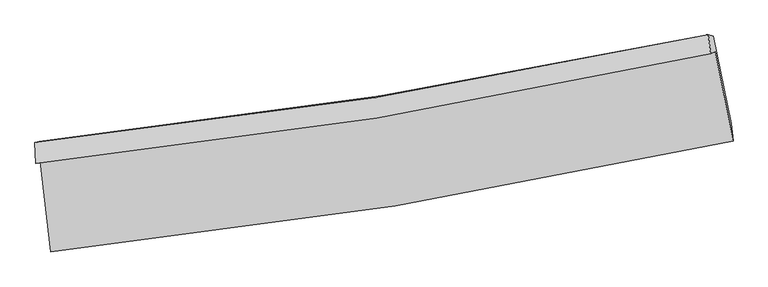
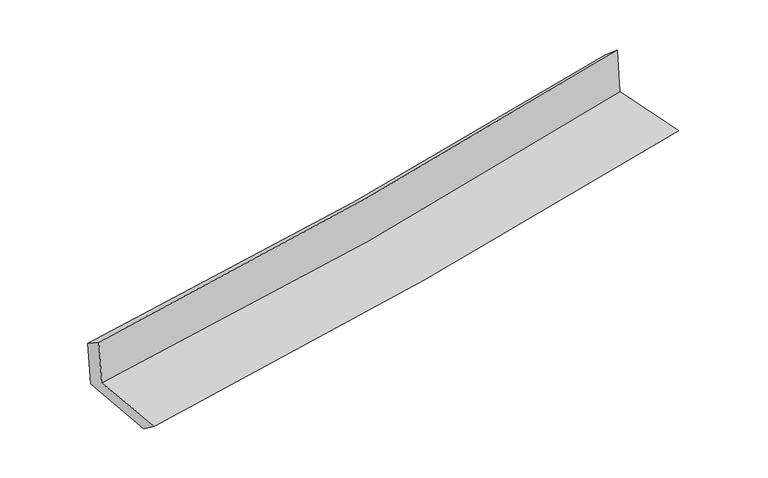
"""IFC4 building model written with IfcOpenShell, lengths in millimetres: proxy geometry."""

from ifc_helpers import new_model, si_unit, frame, origin, place, context, project, spatial, source, transform, mapped, element, save
from ifc_brep_helpers import plane_surface, spline_curve, spline_surface, advanced_brep


def generic_models_fb4fe4cc(model_context):
    return source(origin(), model_context, "Body", "AdvancedBrep", [
        advanced_brep(
        [(-2516.7695294, -1878.4668593, 1661.9986057), (-2442.947625, -2543.7198202, 1643.0857369), (2582.0062392, -1726.0904949, 2104.0953694), (2450.5716913, -1069.7803847, 2109.1312102), (-2549.9521755, -1893.4235211, 2058.5728914), (2416.9778347, -1084.9223944, 2510.6199774), (-2557.7348854, -1739.7475845, 1957.3130773), (2399.8028066, -944.4788179, 2391.6247268), (-2524.6773182, -1730.2313541, 1568.8881158), (2435.2567935, -953.5142256, 2022.6447403), (-2449.5514922, -2392.8737506, 1531.8916), (2566.7295774, -1597.7575203, 1990.7850404)],
        [
            (0, 1),
            (1, 2, spline_curve(3, [(-2442.947625, -2543.7198202, 1643.0857369), (-1593.296443789, -2455.993920241, 1731.795781825), (-747.194095631, -2343.429466807, 1814.767653478), (927.705055717, -2070.288145941, 1968.299332834), (1756.587328895, -1910.309490889, 2038.997338554), (2582.0062392, -1726.0904949, 2104.0953694)], [4, 2, 4], [0.0, 8.39200017214704, 16.682327847057625])),
            (2, 3),
            (3, 0, spline_curve(3, [(2450.5716913, -1069.7803847, 2109.1312102), (1635.681653277, -1251.572216757, 2033.669900841), (816.838611475, -1409.593712096, 1958.901041739), (-838.844241497, -1679.742483591, 1809.839751911), (-1675.781606899, -1791.283146611, 1735.56440935), (-2516.7695294, -1878.4668593, 1661.9986057)], [4, 2, 4], [0.0, 8.290327674910586, 16.682327847057625])),
            (4, 0),
            (3, 5),
            (5, 4, spline_curve(3, [(2416.9778347, -1084.9223944, 2510.6199774), (1601.464801602, -1266.995033644, 2442.604241966), (782.342214876, -1425.142530259, 2371.176295613), (-873.212043765, -1695.233339974, 2220.578141429), (-1709.732794022, -1806.586218863, 2141.323725828), (-2549.9521755, -1893.4235211, 2058.5728914)], [4, 2, 4], [0.0, 8.241930019169647, 16.584938987200758])),
            (6, 4),
            (5, 7),
            (7, 6, spline_curve(3, [(2399.8028066, -944.4788179, 2391.6247268), (1585.478420683, -1120.222676877, 2321.527739337), (767.726961904, -1274.097201012, 2250.51281734), (-884.701027561, -1539.726489532, 2105.764920816), (-1719.462132739, -1650.941554335, 2032.009292925), (-2557.7348854, -1739.7475845, 1957.3130773)], [4, 2, 4], [0.0, 8.231102207887176, 16.56315057246452])),
            (8, 6),
            (7, 9),
            (9, 8, spline_curve(3, [(2435.2567935, -953.5142256, 2022.6447403), (1619.328282206, -1120.14165314, 1949.380027242), (800.572597536, -1267.902997623, 1875.170866431), (-852.669003046, -1527.274291804, 1723.941965447), (-1687.224688807, -1638.418656682, 1646.898918396), (-2524.6773182, -1730.2313541, 1568.8881158)], [4, 2, 4], [0.0, 8.22072211517575, 16.542263085686535])),
            (10, 8),
            (9, 11),
            (11, 10, spline_curve(3, [(2566.7295774, -1597.7575203, 1990.7850404), (1742.160211418, -1771.024428361, 1916.682201147), (914.419249259, -1923.640372349, 1841.628557197), (-757.596170919, -2189.188748061, 1688.687541386), (-1601.948898601, -2301.611547916, 1610.776705274), (-2449.5514922, -2392.8737506, 1531.8916)], [4, 2, 4], [0.0, 8.26940608529211, 16.640228085650932])),
            (1, 10),
            (11, 2),
        ],
        [
            spline_surface(3, 3, [[(-2516.7695294, -1878.4668593, 1661.9986057), (-1675.781606845, -1791.283146681, 1735.564409359), (-838.844241583, -1679.742483726, 1809.8397518), (816.83861156, -1409.593711964, 1958.901041848), (1635.681653216, -1251.572216757, 2033.669900918), (2450.5716913, -1069.7803847, 2109.1312102)], [(-2492.162227921, -2100.21784628, 1655.694316103), (-1648.286552449, -2012.853404572, 1734.308200201), (-808.294192884, -1900.971478103, 1811.48238573), (853.794092937, -1629.825189953, 1962.033805472), (1675.983545122, -1471.151308187, 2035.445713448), (2494.383207272, -1288.550421464, 2107.452596583)], [(-2467.554926479, -2321.96883322, 1649.390026497), (-1620.791498088, -2234.423662423, 1733.051991033), (-777.744144244, -2122.200472459, 1813.125019661), (890.749574255, -1850.056667922, 1965.166569099), (1716.28543701, -1690.730399526, 2037.221526028), (2538.194723228, -1507.320458136, 2105.773983017)], [(-2442.947625, -2543.7198202, 1643.0857369), (-1593.296443691, -2455.993920313, 1731.795781874), (-747.194095545, -2343.429466837, 1814.767653591), (927.705055632, -2070.288145911, 1968.299332723), (1756.587328916, -1910.309490956, 2038.997338558), (2582.0062392, -1726.0904949, 2104.0953694)]], [4, 4], [4, 2, 4], [0.0, 2.197920518805384], [0.0, 8.39200017214704, 16.682327847057625]),
            spline_surface(3, 3, [[(-2549.9521755, -1893.4235211, 2058.5728914), (-1709.732794023, -1806.586218739, 2141.323725934), (-873.212043835, -1695.233339848, 2220.578141452), (782.342214946, -1425.142530383, 2371.17629559), (1601.464801494, -1266.995033699, 2442.60424207), (2416.9778347, -1084.9223944, 2510.6199774)], [(-2538.891293468, -1888.437967161, 1926.381462831), (-1698.415731631, -1801.485194714, 2006.070620407), (-861.756109756, -1690.06972115, 2083.665344888), (793.841013813, -1419.95959092, 2233.751210996), (1612.870418726, -1261.85409469, 2306.292795011), (2428.175786891, -1079.875057805, 2376.790388325)], [(-2527.830411432, -1883.452413239, 1794.190034269), (-1687.098669237, -1796.384170706, 1870.817514886), (-850.300175663, -1684.906102423, 1946.752548365), (805.339812693, -1414.776651427, 2096.326126443), (1624.276035984, -1256.713155766, 2169.981347977), (2439.373739109, -1074.827721295, 2242.960799275)], [(-2516.7695294, -1878.4668593, 1661.9986057), (-1675.781606845, -1791.283146681, 1735.564409359), (-838.844241583, -1679.742483726, 1809.8397518), (816.83861156, -1409.593711964, 1958.901041848), (1635.681653216, -1251.572216757, 2033.669900918), (2450.5716913, -1069.7803847, 2109.1312102)]], [4, 4], [4, 2, 4], [0.0, 1.3557299903876077], [0.0, 8.34300896803111, 16.584938987200758]),
            spline_surface(3, 3, [[(-2557.7348854, -1739.7475845, 1957.3130773), (-1719.462132609, -1650.941554445, 2032.009292817), (-884.701027511, -1539.726489645, 2105.764920736), (767.726961855, -1274.097200899, 2250.512817419), (1585.478420763, -1120.222676824, 2321.527739351), (2399.8028066, -944.4788179, 2391.6247268)], [(-2555.140648771, -1790.97289671, 1991.066348672), (-1716.219019751, -1702.82310922, 2068.447437194), (-880.871366301, -1591.562106368, 2144.035994331), (772.59871287, -1324.445644049, 2290.733976832), (1590.807214338, -1169.146795792, 2361.886573607), (2405.527815965, -991.29334341, 2431.289810349)], [(-2552.546412129, -1842.19820889, 2024.819620028), (-1712.975906881, -1754.704663964, 2104.885581556), (-877.041705045, -1643.397723125, 2182.307067857), (777.470463931, -1374.794087233, 2330.955136177), (1596.136007919, -1218.070914731, 2402.245407815), (2411.252825335, -1038.10786889, 2470.954893851)], [(-2549.9521755, -1893.4235211, 2058.5728914), (-1709.732794023, -1806.586218739, 2141.323725934), (-873.212043835, -1695.233339848, 2220.578141452), (782.342214946, -1425.142530383, 2371.17629559), (1601.464801494, -1266.995033699, 2442.60424207), (2416.9778347, -1084.9223944, 2510.6199774)]], [4, 4], [4, 2, 4], [0.0, 0.63554825546171], [0.0, 8.332048364577343, 16.56315057246452]),
            spline_surface(3, 3, [[(-2524.6773182, -1730.2313541, 1568.8881158), (-1687.224688795, -1638.418656545, 1646.898918359), (-852.669003008, -1527.274291697, 1723.941965571), (800.572597499, -1267.902997729, 1875.170866308), (1619.328282242, -1120.141653073, 1949.380027225), (2435.2567935, -953.5142256, 2022.6447403)], [(-2535.696507248, -1733.403430902, 1698.363102978), (-1697.970503382, -1642.592955847, 1775.26904319), (-863.346344513, -1531.425024341, 1851.216283951), (789.62405228, -1269.967732114, 2000.284850003), (1608.044995079, -1120.168660993, 2073.429264584), (2423.438797863, -950.502423037, 2145.638069117)], [(-2546.715696352, -1736.575507698, 1827.838090122), (-1708.716318023, -1646.767255144, 1903.639167986), (-874.023686006, -1535.575757002, 1978.490602356), (778.675507074, -1272.032466515, 2125.398833724), (1596.761707926, -1120.195668904, 2197.478501992), (2411.620802237, -947.490620463, 2268.631397983)], [(-2557.7348854, -1739.7475845, 1957.3130773), (-1719.462132609, -1650.941554445, 2032.009292817), (-884.701027511, -1539.726489645, 2105.764920736), (767.726961855, -1274.097200899, 2250.512817419), (1585.478420763, -1120.222676824, 2321.527739351), (2399.8028066, -944.4788179, 2391.6247268)]], [4, 4], [4, 2, 4], [0.0, 1.2471256324586166], [0.0, 8.321540970510785, 16.542263085686535]),
            spline_surface(3, 3, [[(-2449.5514922, -2392.8737506, 1531.8916), (-1601.948898561, -2301.611547801, 1610.776705308), (-757.596170822, -2189.188748156, 1688.687541384), (914.419249163, -1923.640372255, 1841.6285572), (1742.16021131, -1771.024428467, 1916.682201231), (2566.7295774, -1597.7575203, 1990.7850404)], [(-2474.593434215, -2171.992951769, 1544.223771923), (-1630.374161988, -2080.547250718, 1622.817442981), (-789.287114856, -1968.550596024, 1700.439016117), (876.470365303, -1705.061247434, 1852.809326907), (1701.216234967, -1554.06350334, 1927.581476557), (2522.905316113, -1383.009755405, 2001.404940361)], [(-2499.635376185, -1951.112152931, 1556.555943877), (-1658.799425369, -1859.482953628, 1634.858180686), (-820.978058974, -1747.91244383, 1712.190490838), (838.521481359, -1486.482122551, 1863.990096601), (1660.272258585, -1337.102578199, 1938.480751899), (2479.081054787, -1168.261990495, 2012.024840339)], [(-2524.6773182, -1730.2313541, 1568.8881158), (-1687.224688795, -1638.418656545, 1646.898918359), (-852.669003008, -1527.274291697, 1723.941965571), (800.572597499, -1267.902997729, 1875.170866308), (1619.328282242, -1120.141653073, 1949.380027225), (2435.2567935, -953.5142256, 2022.6447403)]], [4, 4], [4, 2, 4], [0.0, 2.191475393151067], [0.0, 8.370822000358823, 16.640228085650932]),
            spline_surface(3, 3, [[(-2442.947625, -2543.7198202, 1643.0857369), (-1593.296443691, -2455.993920313, 1731.795781874), (-747.194095545, -2343.429466837, 1814.767653591), (927.705055632, -2070.288145911, 1968.299332723), (1756.587328916, -1910.309490956, 2038.997338558), (2582.0062392, -1726.0904949, 2104.0953694)], [(-2445.148914077, -2493.437796979, 1606.021024592), (-1596.180595325, -2404.533129455, 1691.456089678), (-750.661453994, -2292.015893923, 1772.740949518), (923.276453452, -2021.405554672, 1926.075740878), (1751.778289709, -1863.881136773, 1998.225626147), (2576.914018595, -1683.31283668, 2066.325259765)], [(-2447.350203123, -2443.155773821, 1568.956312308), (-1599.064746928, -2353.072338659, 1651.116397505), (-754.128812373, -2240.60232107, 1730.714245457), (918.847851343, -1972.522963494, 1883.852149045), (1746.969250517, -1817.45278265, 1957.453913642), (2571.821798005, -1640.53517852, 2028.555150035)], [(-2449.5514922, -2392.8737506, 1531.8916), (-1601.948898561, -2301.611547801, 1610.776705308), (-757.596170822, -2189.188748156, 1688.687541384), (914.419249163, -1923.640372255, 1841.6285572), (1742.16021131, -1771.024428467, 1916.682201231), (2566.7295774, -1597.7575203, 1990.7850404)]], [4, 4], [4, 2, 4], [0.0, 0.6458910434579499], [0.0, 8.430281216886472, 16.75842614610088]),
            plane_surface(frame((2475.2241571, -1229.423973, 2188.1501774), z_axis=(0.9767642818246358, 0.19492610913055972, 0.08908057998702418), x_axis=(-0.09561755874341754, 0.024368024609167264, 0.9951198329028501))),
            plane_surface(frame((-2506.9388376, -2029.743815, 1736.9583379), z_axis=(-0.9904053883653695, -0.1074323128198437, -0.08692217702647033), x_axis=(-0.11024718714520554, 0.9935027854362203, 0.028244876651204266))),
        ],
        [
            (0, [[1, 2, 3, 4]]),
            (1, [[5, -4, 6, 7]]),
            (2, [[8, -7, 9, 10]]),
            (3, [[11, -10, 12, 13]]),
            (4, [[14, -13, 15, 16]]),
            (5, [[17, -16, 18, -2]]),
            (6, [[-12, -9, -6, -3, -18, -15]]),
            (7, [[-1, -5, -8, -11, -14, -17]]),
        ],
    ),
    ])


if __name__ == "__main__":
    model = new_model("IFC4")
    model_context = context("Model", 3, world=origin())
    ifc_project = project(units=[si_unit("LENGTHUNIT", "METRE", prefix="MILLI")], contexts=[model_context])
    site = spatial("IfcSite", under=ifc_project)
    building = spatial("IfcBuilding", under=site)
    placement = place(None, origin())
    generic_models_shape = generic_models_fb4fe4cc(model_context)
    element("IfcBuildingElementProxy", 1, Name="Generic Models", at=placement, inside=building, context=model_context, shape_type="MappedRepresentation", body=[
        mapped(generic_models_shape, transform((0.0, 0.0, 0.0), x_axis=(1.0, 0.0, 0.0), y_axis=(0.0, 1.0, 0.0), z_axis=(0.0, 0.0, 1.0))),
    ])
    save(model, "model.ifc")
